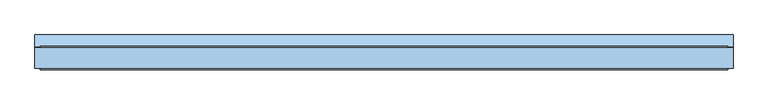
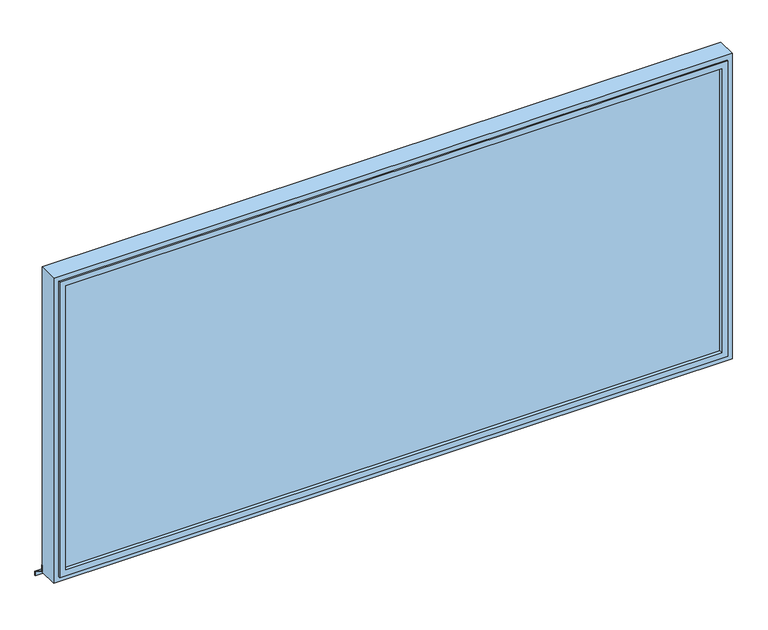
"""IFC4 building model written with IfcOpenShell, lengths in millimetres: window geometry."""

import ifcopenshell
import ifcopenshell.guid

model = None  # the IFC model being written
_history = None  # IfcOwnerHistory: only IFC2X3 demands one
_inside = {}  # id of a spatial element -> (the spatial element, [elements in it])
_under = {}  # id of a project, library or spatial element -> (it, [spatial elements below it])
_declared = {}  # id of a project -> (the project, [libraries it declares])
_typed = {}  # id of a type object -> (the type object, [elements of that type])
_made_of = {}  # id of a material, layer set ... -> (it, [elements and type objects made of it])


def new_model(schema):
    """Start an empty IFC model of exactly this schema.

    Asked for "IFC4X3", IfcOpenShell would pick the latest addendum, in which some entities
    have other attributes; the version numbers below select the first issue.
    IFC2X3 requires an IfcOwnerHistory on every rooted entity: one is made here for all.
    """
    global model, _history
    if schema == "IFC4X3":
        model = ifcopenshell.file(schema_version=(4, 3, 0, 0))
    else:
        model = ifcopenshell.file(schema=schema)
    _inside.clear()
    _under.clear()
    _declared.clear()
    _typed.clear()
    _made_of.clear()
    _history = None
    if model.schema == "IFC2X3":
        org = make("IfcOrganization", Name="unknown")
        user = make(
            "IfcPersonAndOrganization",
            ThePerson=make("IfcPerson", FamilyName="unknown"),
            TheOrganization=org,
        )
        app = make(
            "IfcApplication",
            ApplicationDeveloper=org,
            Version="unknown",
            ApplicationFullName="unknown",
            ApplicationIdentifier="unknown",
        )
        _history = make(
            "IfcOwnerHistory",
            OwningUser=user,
            OwningApplication=app,
            ChangeAction="ADDED",
            CreationDate=0,
        )
    return model


def make(cls, **values):
    """One entity of the class cls with the attributes given. An attribute that is None is left unset."""
    return model.create_entity(
        cls, **{name: value for name, value in values.items() if value is not None}
    )


def rooted(cls, **values):
    """An entity with a GlobalId (a new one), such as an element, a storey or a relation."""
    return make(cls, GlobalId=ifcopenshell.guid.new(), OwnerHistory=_history, **values)


def si_unit(unit_type, name, prefix=None):
    """IfcSIUnit, for example si_unit("LENGTHUNIT", "METRE", prefix="MILLI")."""
    return make("IfcSIUnit", UnitType=unit_type, Prefix=prefix, Name=name)


def assignment(units):
    """IfcUnitAssignment: the units of a project."""
    return None if units is None else make("IfcUnitAssignment", Units=units)


def point(xyz):
    """IfcCartesianPoint."""
    return None if xyz is None else make("IfcCartesianPoint", Coordinates=xyz)


def direction(xyz):
    """IfcDirection."""
    return None if xyz is None else make("IfcDirection", DirectionRatios=xyz)


def frame(location, z_axis=None, x_axis=None):
    """IfcAxis2Placement3D, a coordinate frame: its origin and axes. An axis left out is left unset."""
    return make(
        "IfcAxis2Placement3D",
        Location=point(location),
        Axis=direction(z_axis),
        RefDirection=direction(x_axis),
    )


def origin():
    """The frame at (0, 0, 0) with its axes left unset."""
    return frame((0.0, 0.0, 0.0))


def place(relative_to, where):
    """IfcLocalPlacement: puts the frame where relative to a parent placement (None: the world)."""
    return make(
        "IfcLocalPlacement", PlacementRelTo=relative_to, RelativePlacement=where
    )


def context(
    kind, dimensions, precision=None, world=None, true_north=None, identifier=None
):
    """IfcGeometricRepresentationContext, for example the 3D "Model" context."""
    return make(
        "IfcGeometricRepresentationContext",
        ContextIdentifier=identifier,
        ContextType=kind,
        CoordinateSpaceDimension=dimensions,
        Precision=precision,
        WorldCoordinateSystem=world,
        TrueNorth=true_north,
    )


def project(units=None, contexts=None):
    """IfcProject with its units and contexts."""
    return rooted(
        "IfcProject",
        Name="project",
        RepresentationContexts=contexts,
        UnitsInContext=assignment(units),
    )


def spatial(cls, under=None, at=None, **own):
    """A site, building, storey or space (cls), placed at a placement, below another one or the project."""
    s = rooted(cls, ObjectPlacement=at, **own)
    if under is not None:
        _under.setdefault(under.id(), (under, []))[1].append(s)
    return s


def polyline(points):
    """IfcPolyline through the points."""
    return make("IfcPolyline", Points=[point(p) for p in points])


def outline(outer, holes=None, kind="AREA"):
    """IfcArbitraryClosedProfileDef: a profile drawn as a closed curve; with holes, ...WithVoids."""
    if holes is None:
        return make("IfcArbitraryClosedProfileDef", ProfileType=kind, OuterCurve=outer)
    return make(
        "IfcArbitraryProfileDefWithVoids",
        ProfileType=kind,
        OuterCurve=outer,
        InnerCurves=holes,
    )


def extrude(swept, where, along, depth):
    """IfcExtrudedAreaSolid: the profile swept, set in the frame where, extruded along a direction by depth."""
    return make(
        "IfcExtrudedAreaSolid",
        SweptArea=swept,
        Position=where,
        ExtrudedDirection=direction(along),
        Depth=depth,
    )


def faces_of(points, faces, orient=None, outer=None):
    """IfcFace entities. A face is a list of loops; a loop is a list of indices into points, from 0.

    orient and outer hold one flag for each loop. By default every Orientation is true, the
    first loop of a face is its IfcFaceOuterBound and the others are IfcFaceBound.
    """
    made = []
    for i, loops in enumerate(faces):
        bounds = []
        for j, loop in enumerate(loops):
            is_outer = j == 0 if outer is None else outer[i][j]
            bounds.append(
                make(
                    "IfcFaceOuterBound" if is_outer else "IfcFaceBound",
                    Bound=make("IfcPolyLoop", Polygon=[points[k] for k in loop]),
                    Orientation=True if orient is None else orient[i][j],
                )
            )
        made.append(make("IfcFace", Bounds=bounds))
    return made


def faceted_brep(points, faces, orient=None, outer=None, voids=None):
    """IfcFacetedBrep: a solid bounded by flat faces; with voids (closed shells), ...WithVoids."""
    shared = [point(p) for p in points]
    hull = make("IfcClosedShell", CfsFaces=faces_of(shared, faces, orient, outer))
    if voids is None:
        return make("IfcFacetedBrep", Outer=hull)
    return make(
        "IfcFacetedBrepWithVoids",
        Outer=hull,
        Voids=[
            make(cls, CfsFaces=faces_of(shared, fs, o, b)) for cls, fs, o, b in voids
        ],
    )


def shape(context_of_items, identifier, shape_type, items):
    """IfcShapeRepresentation: the items that make up one representation, for example the "Body"."""
    return make(
        "IfcShapeRepresentation",
        ContextOfItems=context_of_items,
        RepresentationIdentifier=identifier,
        RepresentationType=shape_type,
        Items=items,
    )


def source(mapping_origin, context_of_items, identifier, shape_type, items):
    """IfcRepresentationMap: a shape defined once, which mapped items show again and again."""
    return make(
        "IfcRepresentationMap",
        MappingOrigin=mapping_origin,
        MappedRepresentation=shape(context_of_items, identifier, shape_type, items),
    )


def transform(
    local_origin,
    x_axis=None,
    y_axis=None,
    z_axis=None,
    scale=None,
    scale2=None,
    scale3=None,
    uniform=True,
):
    """IfcCartesianTransformationOperator3D, or its non-uniform kind. x_axis, y_axis, z_axis: its Axis1, 2, 3."""
    if uniform:
        return make(
            "IfcCartesianTransformationOperator3D",
            Axis1=direction(x_axis),
            Axis2=direction(y_axis),
            LocalOrigin=point(local_origin),
            Scale=scale,
            Axis3=direction(z_axis),
        )
    return make(
        "IfcCartesianTransformationOperator3DnonUniform",
        Axis1=direction(x_axis),
        Axis2=direction(y_axis),
        LocalOrigin=point(local_origin),
        Scale=scale,
        Axis3=direction(z_axis),
        Scale2=scale2,
        Scale3=scale3,
    )


def mapped(mapping_source, mapping_target):
    """IfcMappedItem: shows the shape of a source again, moved by a transform."""
    return make(
        "IfcMappedItem", MappingSource=mapping_source, MappingTarget=mapping_target
    )


def made_of(thing, what):
    """Note that an element or type object is made of a material, layer set ...; save() writes the relation."""
    if what is not None:
        _made_of.setdefault(what.id(), (what, []))[1].append(thing)
    return thing


def element(
    cls,
    number,
    at=None,
    inside=None,
    cuts=None,
    type_object=None,
    material=None,
    context=None,
    identifier="Body",
    shape_type=None,
    held_by="IfcProductDefinitionShape",
    body=None,
    shapes=None,
    **own,
):
    """One element of the class cls, such as IfcWall. Its Tag is "e" and its number.

    at: its placement. inside: the storey or other place that contains it. cuts: it is an
    opening in that element (IfcRelVoidsElement). A single representation is given by context,
    identifier, shape_type and body (its items); several are given by shapes. held_by: the class
    of the entity that holds the representations. save() writes the other relations.
    """
    e = rooted(cls, Tag="e%d" % number, ObjectPlacement=at, **own)
    if body is not None:
        shapes = [shape(context, identifier, shape_type, body)]
    if shapes is not None:
        e.Representation = make(held_by, Representations=shapes)
    if inside is not None:
        _inside.setdefault(inside.id(), (inside, []))[1].append(e)
    if cuts is not None:
        rooted(
            "IfcRelVoidsElement", RelatingBuildingElement=cuts, RelatedOpeningElement=e
        )
    if type_object is not None:
        _typed.setdefault(type_object.id(), (type_object, []))[1].append(e)
    return made_of(e, material)


def aggregate(whole, parts):
    """IfcRelAggregates: a whole, such as a stair, and the parts it consists of."""
    return rooted("IfcRelAggregates", RelatingObject=whole, RelatedObjects=parts)


def save(model, path):
    """Write the relations noted so far, then the file.

    IfcRelAggregates (storeys below a building ...), IfcRelContainedInSpatialStructure (elements
    in a storey), IfcRelDefinesByType, IfcRelAssociatesMaterial and IfcRelDeclares: one each for
    every whole, place, type object, material and project.
    """
    for whole, parts in _under.values():
        aggregate(whole, parts)
    for where, things in _inside.values():
        rooted(
            "IfcRelContainedInSpatialStructure",
            RelatedElements=things,
            RelatingStructure=where,
        )
    for kind, things in _typed.values():
        rooted("IfcRelDefinesByType", RelatedObjects=things, RelatingType=kind)
    for what, things in _made_of.values():
        rooted("IfcRelAssociatesMaterial", RelatedObjects=things, RelatingMaterial=what)
    for by, libraries in _declared.values():
        rooted("IfcRelDeclares", RelatingContext=by, RelatedDefinitions=libraries)
    model.write(path)


def window_5911790a(model_context):
    return source(origin(), model_context, "Body", "SolidModel", [
        extrude(outline(polyline([(272.0, 857.2482139), (272.0, 827.2482139), (270.0, 827.2482139), (270.0, 856.0935134), (190.0, 902.2815349), (190.0, 949.0), (192.0, 949.0), (192.0, 903.4362354), (272.0, 857.2482139)])), frame((-2124.9279247, 0.0, 0.0), z_axis=(1.0, 0.0, 0.0), x_axis=(0.0, 1.0, 0.0)), (0.0, 0.0, 1.0), 4459.8558493),
        extrude(outline(polyline([(2285.9279247, 175.0), (2285.9279247, 75.0), (-2075.9279247, 75.0), (-2075.9279247, 175.0), (2285.9279247, 175.0)])), frame((0.0, 0.0, 949.0), z_axis=(0.0, 0.0, 1.0), x_axis=(1.0, 0.0, 0.0)), (0.0, 0.0, 1.0), 2023.2658007),
        extrude(outline(polyline([(3021.2658007, -2124.9279247), (900.0, -2124.9279247), (900.0, 2334.9279247), (3021.2658007, 2334.9279247), (3021.2658007, -2124.9279247)]), holes=[polyline([(2972.2658007, 2285.9279247), (949.0, 2285.9279247), (949.0, -2075.9279247), (2972.2658007, -2075.9279247), (2972.2658007, 2285.9279247)])]), frame((0.0, 60.0, 0.0), z_axis=(0.0, 1.0, 0.0), x_axis=(0.0, 0.0, 1.0)), (0.0, 0.0, 1.0), 130.0),
        faceted_brep([(-2091.2844661, 200.0, 2987.6223422), (-2091.2844661, 190.0, 2987.6223422), (2301.2844661, 190.0, 2987.6223422), (2301.2844661, 200.0, 2987.6223422), (-2050.9279247, 175.0, 2947.2658007), (-2050.9279247, 200.0, 2947.2658007), (2260.9279247, 200.0, 2947.2658007), (2260.9279247, 175.0, 2947.2658007), (-2075.9279247, 190.0, 2972.2658007), (-2075.9279247, 175.0, 2972.2658007), (2285.9279247, 175.0, 2972.2658007), (2285.9279247, 190.0, 2972.2658007), (2301.2844661, 190.0, 933.6434585), (2301.2844661, 200.0, 933.6434585), (2260.9279247, 200.0, 974.0), (2260.9279247, 175.0, 974.0), (2285.9279247, 175.0, 949.0), (2285.9279247, 190.0, 949.0), (-2091.2844661, 190.0, 933.6434585), (-2091.2844661, 200.0, 933.6434585), (-2050.9279247, 200.0, 974.0), (-2050.9279247, 175.0, 974.0), (-2075.9279247, 175.0, 949.0), (-2075.9279247, 190.0, 949.0)], [[[0, 1, 2, 3]], [[4, 5, 6, 7]], [[8, 9, 10, 11]], [[3, 2, 12, 13]], [[7, 6, 14, 15]], [[11, 10, 16, 17]], [[13, 12, 18, 19]], [[15, 14, 20, 21]], [[17, 16, 22, 23]], [[1, 18, 12, 2], [11, 17, 23, 8]], [[19, 18, 1, 0]], [[3, 13, 19, 0], [5, 20, 14, 6]], [[21, 20, 5, 4]], [[9, 22, 16, 10], [7, 15, 21, 4]], [[23, 22, 9, 8]]]),
        faceted_brep([(-2075.9279247, 75.0, 2972.2658007), (-2075.9279247, 60.0, 2972.2658007), (2285.9279247, 60.0, 2972.2658007), (2285.9279247, 75.0, 2972.2658007), (-2050.9279247, 50.0, 2947.2658007), (-2050.9279247, 75.0, 2947.2658007), (2260.9279247, 75.0, 2947.2658007), (2260.9279247, 50.0, 2947.2658007), (-2091.2844661, 60.0, 2987.6223422), (-2091.2844661, 50.0, 2987.6223422), (2301.2844661, 50.0, 2987.6223422), (2301.2844661, 60.0, 2987.6223422), (2285.9279247, 60.0, 949.0), (2285.9279247, 75.0, 949.0), (2260.9279247, 75.0, 974.0), (2260.9279247, 50.0, 974.0), (2301.2844661, 50.0, 933.6434585), (2301.2844661, 60.0, 933.6434585), (-2075.9279247, 60.0, 949.0), (-2075.9279247, 75.0, 949.0), (-2050.9279247, 75.0, 974.0), (-2050.9279247, 50.0, 974.0), (-2091.2844661, 50.0, 933.6434585), (-2091.2844661, 60.0, 933.6434585)], [[[0, 1, 2, 3]], [[4, 5, 6, 7]], [[8, 9, 10, 11]], [[3, 2, 12, 13]], [[7, 6, 14, 15]], [[11, 10, 16, 17]], [[13, 12, 18, 19]], [[15, 14, 20, 21]], [[17, 16, 22, 23]], [[19, 18, 1, 0]], [[3, 13, 19, 0], [5, 20, 14, 6]], [[21, 20, 5, 4]], [[9, 22, 16, 10], [7, 15, 21, 4]], [[23, 22, 9, 8]], [[11, 17, 23, 8], [1, 18, 12, 2]]]),
    ])


if __name__ == "__main__":
    model = new_model("IFC4")
    model_context = context("Model", 3, world=origin())
    ifc_project = project(units=[si_unit("LENGTHUNIT", "METRE", prefix="MILLI")], contexts=[model_context])
    site = spatial("IfcSite", under=ifc_project)
    building = spatial("IfcBuilding", under=site)
    placement = place(None, origin())
    window_shape = window_5911790a(model_context)
    element("IfcWindow", 1, at=placement, inside=building, context=model_context, shape_type="MappedRepresentation", body=[
        mapped(window_shape, transform((0.0, 0.0, 0.0), x_axis=(1.0, 0.0, 0.0), y_axis=(0.0, 1.0, 0.0), z_axis=(0.0, 0.0, 1.0))),
    ])
    save(model, "model.ifc")
